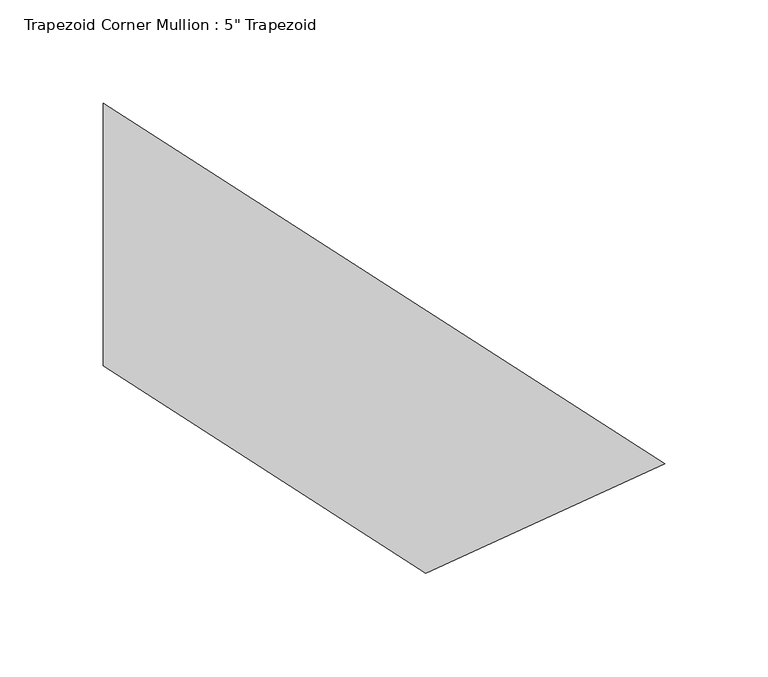
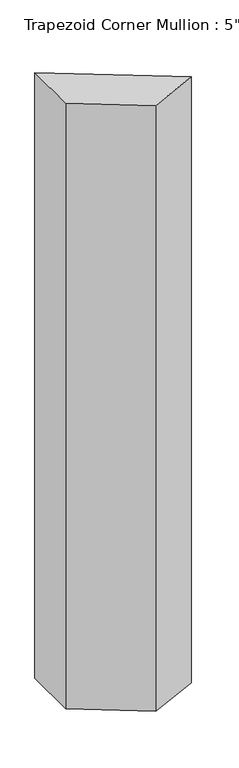
"""IFC4 building model written with IfcOpenShell, lengths in millimetres: member geometry."""

from ifc_helpers import new_model, si_unit, frame, origin, place, context, project, spatial, polyline, outline, extrude, source, transform, mapped, element, save


def member_35f92d20(model_context):
    return source(origin(), model_context, "Body", "SweptSolid", [
        extrude(outline(polyline([(120.5478383, -110.8114616), (5.0670651, -163.6621098), (-150.9261784, -63.5), (-150.9261784, 63.5), (120.5478383, -110.8114616)])), frame((0.0, 0.0, -1524.0), z_axis=(0.0, 0.0, 1.0), x_axis=(1.0, 0.0, 0.0)), (0.0, 0.0, 1.0), 1524.0),
    ])


if __name__ == "__main__":
    model = new_model("IFC4")
    model_context = context("Model", 3, world=origin())
    ifc_project = project(units=[si_unit("LENGTHUNIT", "METRE", prefix="MILLI")], contexts=[model_context])
    site = spatial("IfcSite", under=ifc_project)
    building = spatial("IfcBuilding", under=site)
    placement = place(None, origin())
    member_shape = member_35f92d20(model_context)
    element("IfcMember", 1, ObjectType="Trapezoid Corner Mullion : 5\" Trapezoid", at=placement, inside=building, context=model_context, shape_type="MappedRepresentation", body=[
        mapped(member_shape, transform((0.0, 0.0, 0.0), x_axis=(1.0, 0.0, 0.0), y_axis=(0.0, 1.0, 0.0), z_axis=(0.0, 0.0, 1.0))),
    ])
    save(model, "model.ifc")
